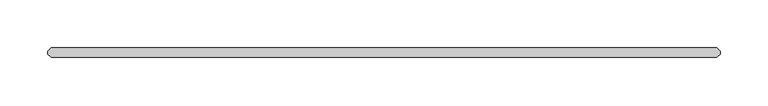
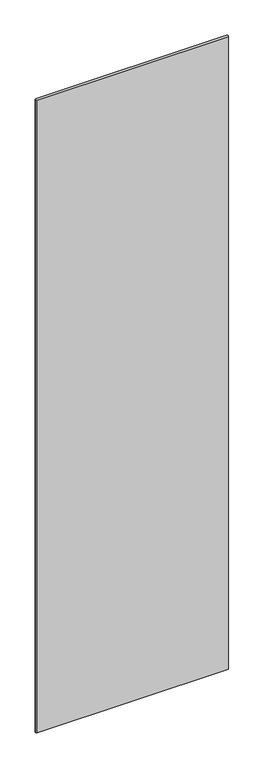
"""IFC4 building model written with IfcOpenShell, lengths in millimetres: plate geometry."""

from ifc_helpers import new_model, si_unit, origin, origin_with_axes, place, context, project, spatial, polyline, outline, extrude, source, transform, mapped, element, save


def plate_b7d31099(model_context):
    return source(origin(), model_context, "Body", "SweptSolid", [
        extrude(outline(polyline([(379.809375, -4.7625), (-313.928125, -4.7625), (-317.103125, -1.5875), (-317.103125, 1.5875), (-313.928125, 4.7625), (379.809375, 4.7625), (382.984375, 1.5875), (382.984375, -1.5875), (379.809375, -4.7625)])), origin_with_axes(), (0.0, 0.0, 1.0), 2427.1914267),
    ])


if __name__ == "__main__":
    model = new_model("IFC4")
    model_context = context("Model", 3, world=origin())
    ifc_project = project(units=[si_unit("LENGTHUNIT", "METRE", prefix="MILLI")], contexts=[model_context])
    site = spatial("IfcSite", under=ifc_project)
    building = spatial("IfcBuilding", under=site)
    placement = place(None, origin())
    plate_shape = plate_b7d31099(model_context)
    element("IfcPlate", 1, at=placement, inside=building, context=model_context, shape_type="MappedRepresentation", body=[
        mapped(plate_shape, transform((0.0, 0.0, 0.0), x_axis=(1.0, 0.0, 0.0), y_axis=(0.0, 1.0, 0.0), z_axis=(0.0, 0.0, 1.0))),
    ])
    save(model, "model.ifc")
